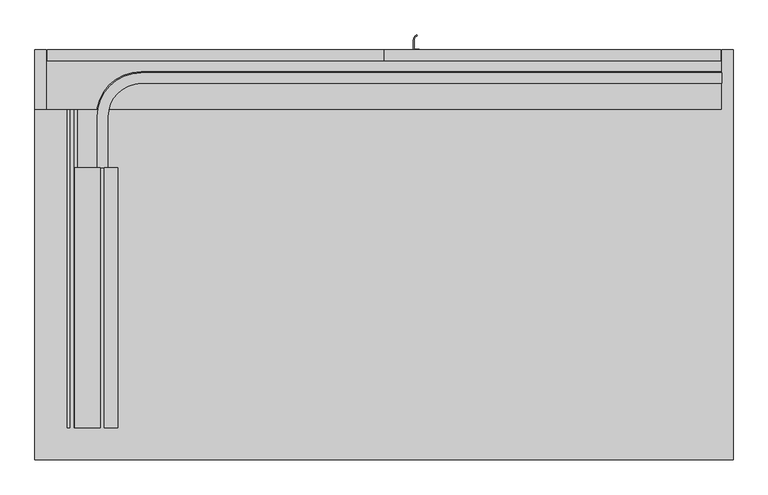
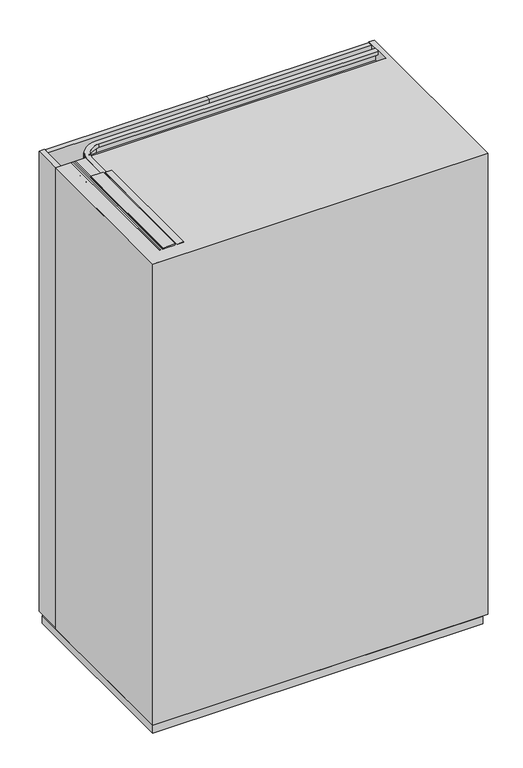
"""IFC4 building model written with IfcOpenShell, lengths in millimetres: furniture geometry."""

from ifc_helpers import new_model, si_unit, point, frame, frame_2d, origin, origin_with_axes, place, context, project, spatial, polyline, circle_curve, trimmed, segment, composite_curve, outline, extrude, faceted_brep, source, transform, mapped, element, save
from ifc_brep_helpers import plane_surface, cylinder_surface, revolved_surface, advanced_brep


def furniture_332f06b4(model_context):
    return source(origin(), model_context, "Body", "SolidModel", [
        extrude(outline(composite_curve([segment(polyline([(546.0, 108.5), (554.5, 108.5), (554.5, 107.0), (544.5, 107.0), (544.5, 125.5188318)]), True, "CONTINUOUS"), segment(trimmed(circle_curve(frame_2d((552.9852814, 125.5188318)), 8.4852814), [point((544.5, 125.5188318))], [point((550.789129, 133.7149843))], False, "CARTESIAN"), True, "CONTINUOUS"), segment(polyline([(550.789129, 133.7149843), (551.1773575, 132.2660955)]), True, "CONTINUOUS"), segment(trimmed(circle_curve(frame_2d((552.9852814, 125.5188318)), 6.9852814), [point((551.1773575, 132.2660955))], [point((546.0, 125.5188318))], True, "CARTESIAN"), True, "CONTINUOUS"), segment(polyline([(546.0, 125.5188318), (546.0, 108.5)]), True, "CONTINUOUS")], self_intersect=False)), frame((0.0, 0.0, 1110.0), z_axis=(0.0, 0.0, 1.0), x_axis=(1.0, 0.0, 0.0)), (0.0, 0.0, 1.0), 180.0),
        extrude(outline(polyline([(1807.9932635, 18.0), (1807.9932635, -6.170682), (1804.7432635, -6.170682), (1804.7432635, -3.85), (1802.2932635, -3.85), (1802.2932635, -15.85), (1804.7432635, -15.85), (1804.7432635, -13.6), (1810.9932635, -13.6), (1810.9932635, -59.4403391), (1807.0, -56.6442259), (1807.0, -60.2560852), (1801.0432635, -60.2560852), (1801.0432635, -58.0), (1798.7432635, -58.0), (1798.7432635, -70.0), (1801.0432635, -70.0), (1801.0432635, -67.75), (1803.6432635, -67.75), (1803.6432635, -72.0), (1795.3932635, -72.0), (1795.3932635, -67.5), (1792.7432635, -67.5), (1792.7432635, -69.75), (1790.7432635, -69.75), (1790.7432635, -58.25), (1792.7432635, -58.25), (1792.7432635, -60.5), (1795.3932635, -60.5), (1795.3932635, -55.0), (1807.0, -55.0), (1807.0, -20.85), (1752.9932635, -20.85), (1752.9932635, -14.4), (1759.2932635, -8.1), (1760.7932635, -8.1), (1760.7932635, -18.1), (1798.3932635, -18.1), (1798.3932635, -3.85), (1791.8932635, -3.85), (1791.8932635, 0.0), (1804.0042028, 0.0), (1804.0042028, 18.0), (1807.9932635, 18.0)])), frame((0.0, -566.0, 0.0), z_axis=(0.0, 1.0, 0.0), x_axis=(0.0, 0.0, 1.0)), (0.0, 0.0, 1.0), 463.2148209),
        advanced_brep(
        [(1094.0, 47.150158, 1791.899902), (1094.0, 51.050134, 1791.899902), (1094.0, 51.050134, 1798.4), (1094.0, 65.250134, 1798.4), (1094.0, 65.250134, 1760.8), (1094.0, 55.250134, 1760.8), (1094.0, 55.250134, 1757.8), (1094.0, 61.000134, 1757.8), (1094.0, 61.000134, 1753.0), (1094.0, 66.000134, 1753.0), (1094.0, 66.000134, 1757.8), (1094.0, 68.000134, 1757.8), (1094.0, 68.000134, 1802.2), (1094.0, 66.000134, 1802.2), (1094.0, 66.000134, 1807.0), (1094.0, 47.150158, 1807.0), (-2.4e-05, -102.7851791, 1791.899902), (-2.4e-05, -102.7851791, 1807.0), (-18.85, -102.7851791, 1807.0), (-18.85, -102.7851791, 1802.2), (-20.85, -102.7851791, 1802.2), (-20.85, -102.7851791, 1757.8), (-18.85, -102.7851791, 1757.8), (-18.85, -102.7851791, 1753.0), (-13.85, -102.7851791, 1753.0), (-13.85, -102.7851791, 1757.8), (-8.1, -102.7851791, 1757.8), (-8.1, -102.7851791, 1760.8), (-18.1, -102.7851791, 1760.8), (-18.1, -102.7851791, 1798.4), (-3.9, -102.7851791, 1798.4), (-3.9, -102.7851791, 1791.899902), (59.150134, 47.150158, 1807.0), (59.150134, 47.150158, 1791.899902), (59.150134, 66.000134, 1807.0), (-18.85, -12.0, 1807.0), (-2.4e-05, -12.0, 1807.0), (59.150134, 66.000134, 1802.2), (59.150134, 68.000134, 1802.2), (-20.85, -12.0, 1802.2), (-18.85, -12.0, 1802.2), (59.150134, 68.000134, 1757.8), (59.150134, 66.000134, 1757.8), (-18.85, -12.0, 1757.8), (-20.85, -12.0, 1757.8), (59.150134, 66.000134, 1753.0), (59.150134, 61.000134, 1753.0), (-13.85, -12.0, 1753.0), (-18.85, -12.0, 1753.0), (59.150134, 61.000134, 1757.8), (59.150134, 55.250134, 1757.8), (-8.1, -12.0, 1757.8), (-13.85, -12.0, 1757.8), (59.150134, 55.250134, 1760.8), (59.150134, 65.250134, 1760.8), (-18.1, -12.0, 1760.8), (-8.1, -12.0, 1760.8), (59.150134, 65.250134, 1798.4), (59.150134, 51.050134, 1798.4), (-3.9, -12.0, 1798.4), (-18.1, -12.0, 1798.4), (59.150134, 51.050134, 1791.899902), (-2.4e-05, -12.0, 1791.899902), (-3.9, -12.0, 1791.899902)],
        [
            (0, 1),
            (1, 2),
            (2, 3),
            (3, 4),
            (4, 5),
            (5, 6),
            (6, 7),
            (7, 8),
            (8, 9),
            (9, 10),
            (10, 11),
            (11, 12),
            (12, 13),
            (13, 14),
            (14, 15),
            (15, 0),
            (16, 17),
            (17, 18),
            (18, 19),
            (19, 20),
            (20, 21),
            (21, 22),
            (22, 23),
            (23, 24),
            (24, 25),
            (25, 26),
            (26, 27),
            (27, 28),
            (28, 29),
            (29, 30),
            (30, 31),
            (31, 16),
            (15, 32),
            (32, 33),
            (33, 0),
            (14, 34),
            (34, 35, circle_curve(frame((59.150134, -12.0, 1807.0), z_axis=(0.0, 0.0, 1.0), x_axis=(0.0, 1.0, 0.0)), 78.000134)),
            (35, 18),
            (17, 36),
            (36, 32, circle_curve(frame((59.150134, -12.0, 1807.0), z_axis=(0.0, 0.0, -1.0), x_axis=(0.0, 1.0, 0.0)), 59.150158)),
            (13, 37),
            (37, 34),
            (12, 38),
            (38, 39, circle_curve(frame((59.150134, -12.0, 1802.2), z_axis=(0.0, 0.0, 1.0), x_axis=(0.0, 1.0, 0.0)), 80.000134)),
            (39, 20),
            (19, 40),
            (40, 37, circle_curve(frame((59.150134, -12.0, 1802.2), z_axis=(0.0, 0.0, -1.0), x_axis=(0.0, 1.0, 0.0)), 78.000134)),
            (11, 41),
            (41, 38),
            (10, 42),
            (42, 43, circle_curve(frame((59.150134, -12.0, 1757.8), z_axis=(0.0, 0.0, 1.0), x_axis=(0.0, 1.0, 0.0)), 78.000134)),
            (43, 22),
            (21, 44),
            (44, 41, circle_curve(frame((59.150134, -12.0, 1757.8), z_axis=(0.0, 0.0, -1.0), x_axis=(0.0, 1.0, 0.0)), 80.000134)),
            (9, 45),
            (45, 42),
            (8, 46),
            (46, 47, circle_curve(frame((59.150134, -12.0, 1753.0), z_axis=(0.0, 0.0, 1.0), x_axis=(0.0, 1.0, 0.0)), 73.000134)),
            (47, 24),
            (23, 48),
            (48, 45, circle_curve(frame((59.150134, -12.0, 1753.0), z_axis=(0.0, 0.0, -1.0), x_axis=(0.0, 1.0, 0.0)), 78.000134)),
            (7, 49),
            (49, 46),
            (6, 50),
            (50, 51, circle_curve(frame((59.150134, -12.0, 1757.8), z_axis=(0.0, 0.0, 1.0), x_axis=(0.0, 1.0, 0.0)), 67.250134)),
            (51, 26),
            (25, 52),
            (52, 49, circle_curve(frame((59.150134, -12.0, 1757.8), z_axis=(0.0, 0.0, -1.0), x_axis=(0.0, 1.0, 0.0)), 73.000134)),
            (5, 53),
            (53, 50),
            (4, 54),
            (54, 55, circle_curve(frame((59.150134, -12.0, 1760.8), z_axis=(0.0, 0.0, 1.0), x_axis=(0.0, 1.0, 0.0)), 77.250134)),
            (55, 28),
            (27, 56),
            (56, 53, circle_curve(frame((59.150134, -12.0, 1760.8), z_axis=(0.0, 0.0, -1.0), x_axis=(0.0, 1.0, 0.0)), 67.250134)),
            (3, 57),
            (57, 54),
            (2, 58),
            (58, 59, circle_curve(frame((59.150134, -12.0, 1798.4), z_axis=(0.0, 0.0, 1.0), x_axis=(0.0, 1.0, 0.0)), 63.050134)),
            (59, 30),
            (29, 60),
            (60, 57, circle_curve(frame((59.150134, -12.0, 1798.4), z_axis=(0.0, 0.0, -1.0), x_axis=(0.0, 1.0, 0.0)), 77.250134)),
            (1, 61),
            (61, 58),
            (33, 62, circle_curve(frame((59.150134, -12.0, 1791.899902), z_axis=(0.0, 0.0, 1.0), x_axis=(0.0, 1.0, 0.0)), 59.150158)),
            (62, 16),
            (31, 63),
            (63, 61, circle_curve(frame((59.150134, -12.0, 1791.899902), z_axis=(0.0, 0.0, -1.0), x_axis=(0.0, 1.0, 0.0)), 63.050134)),
            (36, 62),
            (40, 35),
            (44, 39),
            (48, 43),
            (52, 47),
            (56, 51),
            (60, 55),
            (63, 59),
        ],
        [
            plane_surface(frame((1094.0, 88.0, 1807.0), z_axis=(1.0, 0.0, 0.0), x_axis=(0.0, 0.0, 1.0))),
            plane_surface(frame((-40.849866, -102.7851791, 1807.0), z_axis=(0.0, -1.0, 0.0), x_axis=(0.0, 0.0, 1.0))),
            plane_surface(frame((1094.0, 47.150158, 1791.899902), z_axis=(0.0, -1.0, 0.0), x_axis=(-1.0, 0.0, 0.0))),
            plane_surface(frame((1094.0, 47.150158, 1807.0), z_axis=(0.0, 0.0, 1.0), x_axis=(-1.0, 0.0, 0.0))),
            plane_surface(frame((1094.0, 66.000134, 1807.0), z_axis=(0.0, 1.0, 0.0), x_axis=(-1.0, 0.0, 0.0))),
            plane_surface(frame((1094.0, 66.000134, 1802.2), z_axis=(0.0, 0.0, 1.0), x_axis=(-1.0, 0.0, 0.0))),
            plane_surface(frame((1094.0, 68.000134, 1802.2), z_axis=(0.0, 1.0, 0.0), x_axis=(-1.0, 0.0, 0.0))),
            plane_surface(frame((1094.0, 68.000134, 1757.8), z_axis=(0.0, 0.0, -1.0), x_axis=(-1.0, 0.0, 0.0))),
            plane_surface(frame((1094.0, 66.000134, 1757.8), z_axis=(0.0, 1.0, 0.0), x_axis=(-1.0, 0.0, 0.0))),
            plane_surface(frame((1094.0, 66.000134, 1753.0), z_axis=(0.0, 0.0, -1.0), x_axis=(-1.0, 0.0, 0.0))),
            plane_surface(frame((1094.0, 61.000134, 1753.0), z_axis=(0.0, -1.0, 0.0), x_axis=(-1.0, 0.0, 0.0))),
            plane_surface(frame((1094.0, 61.000134, 1757.8), z_axis=(0.0, 0.0, -1.0), x_axis=(-1.0, 0.0, 0.0))),
            plane_surface(frame((1094.0, 55.250134, 1757.8), z_axis=(0.0, -1.0, 0.0), x_axis=(-1.0, 0.0, 0.0))),
            plane_surface(frame((1094.0, 55.250134, 1760.8), z_axis=(0.0, 0.0, 1.0), x_axis=(-1.0, 0.0, 0.0))),
            plane_surface(frame((1094.0, 65.250134, 1760.8), z_axis=(0.0, -1.0, 0.0), x_axis=(-1.0, 0.0, 0.0))),
            plane_surface(frame((1094.0, 65.250134, 1798.4), z_axis=(0.0, 0.0, -1.0), x_axis=(-1.0, 0.0, 0.0))),
            plane_surface(frame((1094.0, 51.050134, 1798.4), z_axis=(0.0, 1.0, 0.0), x_axis=(-1.0, 0.0, 0.0))),
            plane_surface(frame((1094.0, 51.050134, 1791.899902), z_axis=(0.0, 0.0, -1.0), x_axis=(-1.0, 0.0, 0.0))),
            revolved_surface(polyline([(59.150134, 47.150158, 1791.899902), (59.150134, 47.150158, 1807.0)]), (59.150134, -12.0, 1807.0), (0.0, 0.0, -1.0)),
            cylinder_surface(frame((59.150134, -12.0, 1807.0), z_axis=(0.0, 0.0, -1.0), x_axis=(0.0, 1.0, 0.0)), 78.000134),
            cylinder_surface(frame((59.150134, -12.0, 1807.0), z_axis=(0.0, 0.0, -1.0), x_axis=(0.0, 1.0, 0.0)), 80.000134),
            revolved_surface(polyline([(59.150134, 61.000134, 1753.0), (59.150134, 61.000134, 1757.8)]), (59.150134, -12.0, 1807.0), (0.0, 0.0, -1.0)),
            revolved_surface(polyline([(59.150134, 55.250134, 1757.8), (59.150134, 55.250134, 1760.8)]), (59.150134, -12.0, 1807.0), (0.0, 0.0, -1.0)),
            revolved_surface(polyline([(59.150134, 65.250134, 1760.8), (59.150134, 65.250134, 1798.4)]), (59.150134, -12.0, 1807.0), (0.0, 0.0, -1.0)),
            cylinder_surface(frame((59.150134, -12.0, 1807.0), z_axis=(0.0, 0.0, -1.0), x_axis=(0.0, 1.0, 0.0)), 63.050134),
            plane_surface(frame((-2.4e-05, -12.0, 1791.899902), z_axis=(1.0, 0.0, 0.0), x_axis=(0.0, -1.0, 0.0))),
            plane_surface(frame((-18.85, -12.0, 1807.0), z_axis=(-1.0, 0.0, 0.0), x_axis=(0.0, -1.0, 0.0))),
            plane_surface(frame((-20.85, -12.0, 1802.2), z_axis=(-1.0, 0.0, 0.0), x_axis=(0.0, -1.0, 0.0))),
            plane_surface(frame((-18.85, -12.0, 1757.8), z_axis=(-1.0, 0.0, 0.0), x_axis=(0.0, -1.0, 0.0))),
            plane_surface(frame((-13.85, -12.0, 1753.0), z_axis=(1.0, 0.0, 0.0), x_axis=(0.0, -1.0, 0.0))),
            plane_surface(frame((-8.1, -12.0, 1757.8), z_axis=(1.0, 0.0, 0.0), x_axis=(0.0, -1.0, 0.0))),
            plane_surface(frame((-18.1, -12.0, 1760.8), z_axis=(1.0, 0.0, 0.0), x_axis=(0.0, -1.0, 0.0))),
            plane_surface(frame((-3.9, -12.0, 1798.4), z_axis=(-1.0, 0.0, 0.0), x_axis=(0.0, -1.0, 0.0))),
        ],
        [
            (0, [[1, 2, 3, 4, 5, 6, 7, 8, 9, 10, 11, 12, 13, 14, 15, 16]]),
            (1, [[17, 18, 19, 20, 21, 22, 23, 24, 25, 26, 27, 28, 29, 30, 31, 32]]),
            (2, [[33, 34, 35, -16]]),
            (3, [[36, 37, 38, -18, 39, 40, -33, -15]]),
            (4, [[41, 42, -36, -14]]),
            (5, [[43, 44, 45, -20, 46, 47, -41, -13]]),
            (6, [[48, 49, -43, -12]]),
            (7, [[50, 51, 52, -22, 53, 54, -48, -11]]),
            (8, [[55, 56, -50, -10]]),
            (9, [[57, 58, 59, -24, 60, 61, -55, -9]]),
            (10, [[62, 63, -57, -8]]),
            (11, [[64, 65, 66, -26, 67, 68, -62, -7]]),
            (12, [[69, 70, -64, -6]]),
            (13, [[71, 72, 73, -28, 74, 75, -69, -5]]),
            (14, [[76, 77, -71, -4]]),
            (15, [[78, 79, 80, -30, 81, 82, -76, -3]]),
            (16, [[83, 84, -78, -2]]),
            (17, [[-35, 85, 86, -32, 87, 88, -83, -1]]),
            (18, [[89, -85, -34, -40]]),
            (19, [[90, -37, -42, -47]]),
            (20, [[91, -44, -49, -54]]),
            (19, [[92, -51, -56, -61]]),
            (21, [[93, -58, -63, -68]]),
            (22, [[94, -65, -70, -75]]),
            (23, [[95, -72, -77, -82]]),
            (24, [[96, -79, -84, -88]]),
            (25, [[-39, -17, -86, -89]]),
            (26, [[-46, -19, -38, -90]]),
            (27, [[-53, -21, -45, -91]]),
            (28, [[-60, -23, -52, -92]]),
            (29, [[-67, -25, -59, -93]]),
            (30, [[-74, -27, -66, -94]]),
            (31, [[-81, -29, -73, -95]]),
            (32, [[-87, -31, -80, -96]]),
        ],
    ),
        extrude(outline(polyline([(1092.0, 88.0), (492.0, 88.0), (492.0, 107.0), (1092.0, 107.0), (1092.0, 88.0)])), frame((0.0, 0.0, 5.0), z_axis=(0.0, 0.0, 1.0), x_axis=(1.0, 0.0, 0.0)), (0.0, 0.0, 1.0), 1800.0),
        extrude(outline(polyline([(-108.0, 107.0), (492.0, 107.0), (492.0, 88.0), (-108.0, 88.0), (-108.0, 107.0)])), frame((0.0, 0.0, 5.0), z_axis=(0.0, 0.0, 1.0), x_axis=(1.0, 0.0, 0.0)), (0.0, 0.0, 1.0), 1800.0),
        advanced_brep(
        [(-75.6336873, -23.1375322, 1765.724276), (-71.625465, -23.1375322, 1765.724276), (-67.2507667, -23.1375322, 1761.3495777), (-63.4737348, -23.1375322, 1761.3495777), (-63.4737348, -23.1375322, 1733.0547299), (-75.6336873, -23.1375322, 1733.0547299), (-75.6336873, -82.3672808, 1765.724276), (-75.6336873, -82.3672808, 1733.0547299), (-63.4737348, -82.3672808, 1733.0547299), (-63.4737348, -82.3672808, 1761.3495777), (-67.2507667, -82.3672808, 1761.3495777), (-71.625465, -82.3672808, 1765.724276), (-63.4737348, -33.0799821, 1758.673583), (-63.4737348, -26.647587, 1758.673583), (-63.4737348, -26.647587, 1754.158508), (-63.4737348, -33.0799821, 1754.158508), (-63.4737348, -39.5123773, 1754.158508), (-63.4737348, -39.5123773, 1758.673583), (-63.4737348, -72.4549821, 1758.673583), (-63.4737348, -66.022587, 1758.673583), (-63.4737348, -66.022587, 1754.158508), (-63.4737348, -72.4549821, 1754.158508), (-63.4737348, -78.8873773, 1754.158508), (-63.4737348, -78.8873773, 1758.673583), (-57.5, -33.0799821, 1758.673583), (-57.5, -33.0799821, 1754.158508), (-57.5, -72.4549821, 1758.673583), (-57.5, -72.4549821, 1754.158508)],
        [
            (0, 1),
            (1, 2),
            (2, 3),
            (3, 4),
            (4, 5),
            (5, 0),
            (6, 7),
            (7, 8),
            (8, 9),
            (9, 10),
            (10, 11),
            (11, 6),
            (5, 7),
            (6, 0),
            (4, 8),
            (3, 9),
            (12, 13),
            (13, 14),
            (14, 15),
            (15, 16),
            (16, 17),
            (17, 12),
            (18, 19),
            (19, 20),
            (20, 21),
            (21, 22),
            (22, 23),
            (23, 18),
            (2, 10),
            (1, 11),
            (17, 24, circle_curve(frame((-63.950003, -33.0799821, 1758.673583), z_axis=(0.0, 0.0, 1.0), x_axis=(1.0, 0.0, 0.0)), 6.450003)),
            (24, 12),
            (24, 13, circle_curve(frame((-63.950003, -33.0799821, 1758.673583), z_axis=(0.0, 0.0, 1.0), x_axis=(1.0, 0.0, 0.0)), 6.450003)),
            (25, 16, circle_curve(frame((-63.950003, -33.0799821, 1754.158508), z_axis=(0.0, 0.0, -1.0), x_axis=(1.0, 0.0, 0.0)), 6.450003)),
            (15, 25),
            (14, 25, circle_curve(frame((-63.950003, -33.0799821, 1754.158508), z_axis=(0.0, 0.0, -1.0), x_axis=(1.0, 0.0, 0.0)), 6.450003)),
            (25, 24),
            (23, 26, circle_curve(frame((-63.950003, -72.4549821, 1758.673583), z_axis=(0.0, 0.0, 1.0), x_axis=(1.0, 0.0, 0.0)), 6.450003)),
            (26, 18),
            (26, 19, circle_curve(frame((-63.950003, -72.4549821, 1758.673583), z_axis=(0.0, 0.0, 1.0), x_axis=(1.0, 0.0, 0.0)), 6.450003)),
            (27, 22, circle_curve(frame((-63.950003, -72.4549821, 1754.158508), z_axis=(0.0, 0.0, -1.0), x_axis=(1.0, 0.0, 0.0)), 6.450003)),
            (21, 27),
            (20, 27, circle_curve(frame((-63.950003, -72.4549821, 1754.158508), z_axis=(0.0, 0.0, -1.0), x_axis=(1.0, 0.0, 0.0)), 6.450003)),
            (27, 26),
        ],
        [
            plane_surface(frame((-75.6336873, -23.1375322, 1765.724276), z_axis=(0.0, 1.0, 0.0), x_axis=(0.0, 0.0, -1.0))),
            plane_surface(frame((-75.6336873, -82.3672808, 1765.724276), z_axis=(0.0, -1.0, 0.0), x_axis=(0.0, 0.0, 1.0))),
            plane_surface(frame((-75.6336873, -23.1375322, 1765.724276), z_axis=(-1.0, 0.0, 0.0), x_axis=(0.0, -1.0, 0.0))),
            plane_surface(frame((-75.6336873, -23.1375322, 1733.0547299), z_axis=(0.0, 0.0, -1.0), x_axis=(0.0, -1.0, 0.0))),
            plane_surface(frame((-63.4737348, -23.1375322, 1733.0547299), z_axis=(1.0, 0.0, 0.0), x_axis=(0.0, -1.0, 0.0))),
            plane_surface(frame((-63.4737348, -23.1375322, 1761.3495777), z_axis=(0.0, 0.0, 1.0), x_axis=(0.0, -1.0, 0.0))),
            plane_surface(frame((-67.2507667, -23.1375322, 1761.3495777), z_axis=(0.7071067811865492, 0.0, 0.7071067811865459), x_axis=(0.0, -1.0, 0.0))),
            plane_surface(frame((-71.625465, -23.1375322, 1765.724276), z_axis=(0.0, 0.0, 1.0), x_axis=(0.0, -1.0, 0.0))),
            plane_surface(frame((-63.950003, -33.0799821, 1758.673583), z_axis=(0.0, 0.0, 1.0), x_axis=(1.0, 0.0, 0.0))),
            plane_surface(frame((-63.950003, -33.0799821, 1754.158508), z_axis=(0.0, 0.0, -1.0), x_axis=(1.0, 0.0, 0.0))),
            cylinder_surface(frame((-63.950003, -33.0799821, 1759.795738), z_axis=(0.0, 0.0, 1.0), x_axis=(1.0, 0.0, 0.0)), 6.450003),
            plane_surface(frame((-63.950003, -72.4549821, 1758.673583), z_axis=(0.0, 0.0, 1.0), x_axis=(1.0, 0.0, 0.0))),
            plane_surface(frame((-63.950003, -72.4549821, 1754.158508), z_axis=(0.0, 0.0, -1.0), x_axis=(1.0, 0.0, 0.0))),
            cylinder_surface(frame((-63.950003, -72.4549821, 1759.795738), z_axis=(0.0, 0.0, 1.0), x_axis=(1.0, 0.0, 0.0)), 6.450003),
        ],
        [
            (0, [[1, 2, 3, 4, 5, 6]]),
            (1, [[7, 8, 9, 10, 11, 12]]),
            (2, [[13, -7, 14, -6]]),
            (3, [[15, -8, -13, -5]]),
            (4, [[16, -9, -15, -4], [17, 18, 19, 20, 21, 22], [23, 24, 25, 26, 27, 28]]),
            (5, [[29, -10, -16, -3]]),
            (6, [[30, -11, -29, -2]]),
            (7, [[-14, -12, -30, -1]]),
            (8, [[-22, 31, 32]]),
            (8, [[33, -17, -32]]),
            (9, [[34, -20, 35]]),
            (9, [[-19, 36, -35]]),
            (10, [[-31, -21, -34, 37]]),
            (10, [[-36, -18, -33, -37]]),
            (11, [[-28, 38, 39]]),
            (11, [[40, -23, -39]]),
            (12, [[41, -26, 42]]),
            (12, [[-25, 43, -42]]),
            (13, [[-38, -27, -41, 44]]),
            (13, [[-43, -24, -40, -44]]),
        ],
    ),
        advanced_brep(
        [(-67.900202, -72.4549821, 1784.308626), (-67.900202, -72.4549821, 1799.308626), (-67.900202, -72.4549821, 1769.308626), (-66.9872489, -72.4549821, 1799.308626), (-66.9872489, -72.4549821, 1769.308626), (-59.900202, -72.4549821, 1799.308626), (-59.900202, -72.4549821, 1789.3459789), (-59.900202, -72.4549821, 1779.2712731), (-59.900202, -72.4549821, 1769.308626), (-58.400202, -72.4549821, 1788.2956676), (-58.400202, -72.4549821, 1780.3215844), (-58.400202, -72.4549821, 1784.308626), (-60.9142761, -72.4549821, 1799.308626), (-60.9142761, -72.4549821, 1769.308626), (-62.91385, -72.4549821, 1797.3090521), (-62.91385, -72.4549821, 1771.3081999), (-64.9876751, -72.4549821, 1797.3090521), (-64.9876751, -72.4549821, 1771.3081999)],
        [
            (0, 1),
            (1, 2, circle_curve(frame((-67.900202, -72.4549821, 1784.308626), z_axis=(-1.0, 0.0, 0.0), x_axis=(0.0, 0.0, -1.0)), 15.0)),
            (2, 0),
            (2, 1, circle_curve(frame((-67.900202, -72.4549821, 1784.308626), z_axis=(-1.0, 0.0, 0.0), x_axis=(0.0, 0.0, -1.0)), 15.0)),
            (1, 3),
            (3, 4, circle_curve(frame((-66.9872489, -72.4549821, 1784.308626), z_axis=(-1.0, 0.0, 0.0), x_axis=(0.0, 0.0, -1.0)), 15.0)),
            (4, 2),
            (4, 3, circle_curve(frame((-66.9872489, -72.4549821, 1784.308626), z_axis=(-1.0, 0.0, 0.0), x_axis=(0.0, 0.0, -1.0)), 15.0)),
            (5, 6),
            (6, 7, circle_curve(frame((-59.900202, -72.4549821, 1784.308626), z_axis=(-1.0, 0.0, 0.0), x_axis=(0.0, 0.0, -1.0)), 5.0373529)),
            (7, 8),
            (8, 5, circle_curve(frame((-59.900202, -72.4549821, 1784.308626), z_axis=(1.0, 0.0, 0.0), x_axis=(0.0, 0.0, -1.0)), 15.0)),
            (7, 6, circle_curve(frame((-59.900202, -72.4549821, 1784.308626), z_axis=(-1.0, 0.0, 0.0), x_axis=(0.0, 0.0, -1.0)), 5.0373529)),
            (5, 8, circle_curve(frame((-59.900202, -72.4549821, 1784.308626), z_axis=(1.0, 0.0, 0.0), x_axis=(0.0, 0.0, -1.0)), 15.0)),
            (6, 9),
            (9, 10, circle_curve(frame((-58.400202, -72.4549821, 1784.308626), z_axis=(-1.0, 0.0, 0.0), x_axis=(0.0, 0.0, -1.0)), 3.9870416)),
            (10, 7),
            (10, 9, circle_curve(frame((-58.400202, -72.4549821, 1784.308626), z_axis=(-1.0, 0.0, 0.0), x_axis=(0.0, 0.0, -1.0)), 3.9870416)),
            (9, 11),
            (11, 10),
            (12, 5),
            (8, 13),
            (13, 12, circle_curve(frame((-60.9142761, -72.4549821, 1784.308626), z_axis=(1.0, 0.0, 0.0), x_axis=(0.0, 0.0, -1.0)), 15.0)),
            (12, 13, circle_curve(frame((-60.9142761, -72.4549821, 1784.308626), z_axis=(1.0, 0.0, 0.0), x_axis=(0.0, 0.0, -1.0)), 15.0)),
            (14, 12),
            (13, 15),
            (15, 14, circle_curve(frame((-62.91385, -72.4549821, 1784.308626), z_axis=(1.0, 0.0, 0.0), x_axis=(0.0, 0.0, -1.0)), 13.0004261)),
            (14, 15, circle_curve(frame((-62.91385, -72.4549821, 1784.308626), z_axis=(1.0, 0.0, 0.0), x_axis=(0.0, 0.0, -1.0)), 13.0004261)),
            (16, 14),
            (15, 17),
            (17, 16, circle_curve(frame((-64.9876751, -72.4549821, 1784.308626), z_axis=(1.0, 0.0, 0.0), x_axis=(0.0, 0.0, -1.0)), 13.0004261)),
            (16, 17, circle_curve(frame((-64.9876751, -72.4549821, 1784.308626), z_axis=(1.0, 0.0, 0.0), x_axis=(0.0, 0.0, -1.0)), 13.0004261)),
            (3, 16),
            (17, 4),
        ],
        [
            plane_surface(frame((-67.900202, -72.4549821, 1784.308626), z_axis=(-1.0, 0.0, 0.0), x_axis=(0.0, 0.0, -1.0))),
            cylinder_surface(frame((-58.400202, -72.4549821, 1784.308626), z_axis=(-1.0, 0.0, 0.0), x_axis=(0.0, 0.0, -1.0)), 15.0),
            plane_surface(frame((-59.900202, -72.4549821, 1784.308626), z_axis=(1.0, 0.0, 0.0), x_axis=(0.0, 0.0, -1.0))),
            revolved_surface(polyline([(-58.400202, -72.4549821, 1780.3215844), (-59.900202, -72.4549821, 1779.2712731)]), (-58.400202, -72.4549821, 1784.308626), (-1.0, 0.0, 0.0)),
            plane_surface(frame((-58.400202, -72.4549821, 1784.308626), z_axis=(1.0, 0.0, 0.0), x_axis=(0.0, 0.0, -1.0))),
            revolved_surface(polyline([(-60.9142761, -72.4549821, 1769.308626), (-62.91385, -72.4549821, 1771.3081999)]), (-58.400202, -72.4549821, 1784.308626), (-1.0, 0.0, 0.0)),
            cylinder_surface(frame((-58.400202, -72.4549821, 1784.308626), z_axis=(-1.0, 0.0, 0.0), x_axis=(0.0, 0.0, -1.0)), 13.0004261),
            revolved_surface(polyline([(-64.9876751, -72.4549821, 1771.3081999), (-66.9872489, -72.4549821, 1769.308626)]), (-58.400202, -72.4549821, 1784.308626), (-1.0, 0.0, 0.0)),
        ],
        [
            (0, [[1, 2, 3]]),
            (0, [[-3, 4, -1]]),
            (1, [[5, 6, 7, -2]]),
            (1, [[-7, 8, -5, -4]]),
            (2, [[9, 10, 11, 12]]),
            (2, [[-11, 13, -9, 14]]),
            (3, [[15, 16, 17, -10]]),
            (3, [[-17, 18, -15, -13]]),
            (4, [[19, 20, -16]]),
            (4, [[-20, -19, -18]]),
            (1, [[21, -12, 22, 23]]),
            (1, [[-22, -14, -21, 24]]),
            (5, [[25, -23, 26, 27]]),
            (5, [[-26, -24, -25, 28]]),
            (6, [[29, -27, 30, 31]]),
            (6, [[-30, -28, -29, 32]]),
            (7, [[33, -31, 34, -6]]),
            (7, [[-34, -32, -33, -8]]),
        ],
    ),
        extrude(outline(polyline([(-67.4751845, -70.1923392), (-68.8680425, -70.1923392), (-70.714577, -68.3458047), (-70.714577, -48.3458047), (-68.7451872, -46.3764149), (-67.4751845, -46.3764149), (-67.4751845, -42.7986729), (-64.9743712, -42.7986729), (-64.9743712, -49.6597808), (-66.8013734, -51.486783), (-66.8013734, -65.0731271), (-64.9743712, -66.9001293), (-64.9743712, -73.7061401), (-67.4751845, -73.7061401), (-67.4751845, -70.1923392)])), frame((0.0, 0.0, 1714.5347501), z_axis=(0.0, 0.0, 1.0), x_axis=(1.0, 0.0, 0.0)), (0.0, 0.0, 1.0), 18.5199799),
        extrude(outline(polyline([(-67.7993712, -44.5272199), (-67.7993712, -60.9375972), (-73.2501515, -60.9375972), (-73.2501515, -44.5272199), (-67.7993712, -44.5272199)])), frame((0.0, 0.0, 1761.3495777), z_axis=(0.0, 0.0, 1.0), x_axis=(1.0, 0.0, 0.0)), (0.0, 0.0, 1.0), 16.9521965),
        advanced_brep(
        [(-67.900202, -33.0799821, 1784.125), (-67.900202, -33.0799821, 1799.125), (-67.900202, -33.0799821, 1769.125), (-66.9872489, -33.0799821, 1799.125), (-66.9872489, -33.0799821, 1769.125), (-59.900202, -33.0799821, 1799.125), (-59.900202, -33.0799821, 1789.1623529), (-59.900202, -33.0799821, 1779.0876471), (-59.900202, -33.0799821, 1769.125), (-58.400202, -33.0799821, 1788.1120416), (-58.400202, -33.0799821, 1780.1379584), (-58.400202, -33.0799821, 1784.125), (-60.9142761, -33.0799821, 1799.125), (-60.9142761, -33.0799821, 1769.125), (-62.91385, -33.0799821, 1797.1254261), (-62.91385, -33.0799821, 1771.1245739), (-64.9876751, -33.0799821, 1797.1254261), (-64.9876751, -33.0799821, 1771.1245739)],
        [
            (0, 1),
            (1, 2, circle_curve(frame((-67.900202, -33.0799821, 1784.125), z_axis=(-1.0, 0.0, 0.0), x_axis=(0.0, 0.0, -1.0)), 15.0)),
            (2, 0),
            (2, 1, circle_curve(frame((-67.900202, -33.0799821, 1784.125), z_axis=(-1.0, 0.0, 0.0), x_axis=(0.0, 0.0, -1.0)), 15.0)),
            (1, 3),
            (3, 4, circle_curve(frame((-66.9872489, -33.0799821, 1784.125), z_axis=(-1.0, 0.0, 0.0), x_axis=(0.0, 0.0, -1.0)), 15.0)),
            (4, 2),
            (4, 3, circle_curve(frame((-66.9872489, -33.0799821, 1784.125), z_axis=(-1.0, 0.0, 0.0), x_axis=(0.0, 0.0, -1.0)), 15.0)),
            (5, 6),
            (6, 7, circle_curve(frame((-59.900202, -33.0799821, 1784.125), z_axis=(-1.0, 0.0, 0.0), x_axis=(0.0, 0.0, -1.0)), 5.0373529)),
            (7, 8),
            (8, 5, circle_curve(frame((-59.900202, -33.0799821, 1784.125), z_axis=(1.0, 0.0, 0.0), x_axis=(0.0, 0.0, -1.0)), 15.0)),
            (7, 6, circle_curve(frame((-59.900202, -33.0799821, 1784.125), z_axis=(-1.0, 0.0, 0.0), x_axis=(0.0, 0.0, -1.0)), 5.0373529)),
            (5, 8, circle_curve(frame((-59.900202, -33.0799821, 1784.125), z_axis=(1.0, 0.0, 0.0), x_axis=(0.0, 0.0, -1.0)), 15.0)),
            (6, 9),
            (9, 10, circle_curve(frame((-58.400202, -33.0799821, 1784.125), z_axis=(-1.0, 0.0, 0.0), x_axis=(0.0, 0.0, -1.0)), 3.9870416)),
            (10, 7),
            (10, 9, circle_curve(frame((-58.400202, -33.0799821, 1784.125), z_axis=(-1.0, 0.0, 0.0), x_axis=(0.0, 0.0, -1.0)), 3.9870416)),
            (9, 11),
            (11, 10),
            (12, 5),
            (8, 13),
            (13, 12, circle_curve(frame((-60.9142761, -33.0799821, 1784.125), z_axis=(1.0, 0.0, 0.0), x_axis=(0.0, 0.0, -1.0)), 15.0)),
            (12, 13, circle_curve(frame((-60.9142761, -33.0799821, 1784.125), z_axis=(1.0, 0.0, 0.0), x_axis=(0.0, 0.0, -1.0)), 15.0)),
            (14, 12),
            (13, 15),
            (15, 14, circle_curve(frame((-62.91385, -33.0799821, 1784.125), z_axis=(1.0, 0.0, 0.0), x_axis=(0.0, 0.0, -1.0)), 13.0004261)),
            (14, 15, circle_curve(frame((-62.91385, -33.0799821, 1784.125), z_axis=(1.0, 0.0, 0.0), x_axis=(0.0, 0.0, -1.0)), 13.0004261)),
            (16, 14),
            (15, 17),
            (17, 16, circle_curve(frame((-64.9876751, -33.0799821, 1784.125), z_axis=(1.0, 0.0, 0.0), x_axis=(0.0, 0.0, -1.0)), 13.0004261)),
            (16, 17, circle_curve(frame((-64.9876751, -33.0799821, 1784.125), z_axis=(1.0, 0.0, 0.0), x_axis=(0.0, 0.0, -1.0)), 13.0004261)),
            (3, 16),
            (17, 4),
        ],
        [
            plane_surface(frame((-67.900202, -33.0799821, 1784.125), z_axis=(-1.0, 0.0, 0.0), x_axis=(0.0, 0.0, -1.0))),
            cylinder_surface(frame((-58.400202, -33.0799821, 1784.125), z_axis=(-1.0, 0.0, 0.0), x_axis=(0.0, 0.0, -1.0)), 15.0),
            plane_surface(frame((-59.900202, -33.0799821, 1784.125), z_axis=(1.0, 0.0, 0.0), x_axis=(0.0, 0.0, -1.0))),
            revolved_surface(polyline([(-58.400202, -33.0799821, 1780.1379584), (-59.900202, -33.0799821, 1779.0876471)]), (-58.400202, -33.0799821, 1784.125), (-1.0, 0.0, 0.0)),
            plane_surface(frame((-58.400202, -33.0799821, 1784.125), z_axis=(1.0, 0.0, 0.0), x_axis=(0.0, 0.0, -1.0))),
            revolved_surface(polyline([(-60.9142761, -33.0799821, 1769.125), (-62.91385, -33.0799821, 1771.1245739)]), (-58.400202, -33.0799821, 1784.125), (-1.0, 0.0, 0.0)),
            cylinder_surface(frame((-58.400202, -33.0799821, 1784.125), z_axis=(-1.0, 0.0, 0.0), x_axis=(0.0, 0.0, -1.0)), 13.0004261),
            revolved_surface(polyline([(-64.9876751, -33.0799821, 1771.1245739), (-66.9872489, -33.0799821, 1769.125)]), (-58.400202, -33.0799821, 1784.125), (-1.0, 0.0, 0.0)),
        ],
        [
            (0, [[1, 2, 3]]),
            (0, [[-3, 4, -1]]),
            (1, [[5, 6, 7, -2]]),
            (1, [[-7, 8, -5, -4]]),
            (2, [[9, 10, 11, 12]]),
            (2, [[-11, 13, -9, 14]]),
            (3, [[15, 16, 17, -10]]),
            (3, [[-17, 18, -15, -13]]),
            (4, [[19, 20, -16]]),
            (4, [[-20, -19, -18]]),
            (1, [[21, -12, 22, 23]]),
            (1, [[-22, -14, -21, 24]]),
            (5, [[25, -23, 26, 27]]),
            (5, [[-26, -24, -25, 28]]),
            (6, [[29, -27, 30, 31]]),
            (6, [[-30, -28, -29, 32]]),
            (7, [[33, -31, 34, -6]]),
            (7, [[-34, -32, -33, -8]]),
        ],
    ),
        extrude(outline(polyline([(-67.7993712, -18.5522242), (-67.7993712, -86.9089943), (-75.365636, -86.9089943), (-75.365636, -18.5522242), (-67.7993712, -18.5522242)])), frame((0.0, 0.0, 1778.3017742), z_axis=(0.0, 0.0, 1.0), x_axis=(1.0, 0.0, 0.0)), (0.0, 0.0, 1.0), 11.7055952),
        extrude(outline(polyline([(19.0, -72.0), (0.0, -72.0), (0.0, -67.75), (2.25, -67.75), (2.25, -70.0), (4.9, -70.0), (4.9, -58.0), (2.25, -58.0), (2.25, -60.25), (0.0, -60.25), (0.0, -55.0), (58.5663764, -55.0), (59.0913089, -61.0), (56.1547673, -61.0), (56.1547673, -57.5), (40.5, -57.5), (40.5, -61.0), (37.5, -61.0), (37.5, -58.0104888), (7.5, -58.0104888), (7.5, -70.0), (19.0, -70.0), (19.0, -72.0)])), frame((0.0, -566.0, 0.0), z_axis=(0.0, 1.0, 0.0), x_axis=(0.0, 0.0, 1.0)), (0.0, 0.0, 1.0), 566.0),
        extrude(outline(composite_curve([segment(polyline([(1795.0, -70.0), (1799.5, -70.0), (1799.5, -58.0104888), (1768.5, -58.0104888), (1768.5, -61.2084017)]), True, "CONTINUOUS"), segment(trimmed(circle_curve(frame_2d((1767.9551158, -63.95)), 2.7952209), [point((1768.5, -61.2084017))], [point((1769.1, -66.5))], False, "CARTESIAN"), True, "CONTINUOUS"), segment(polyline([(1769.1, -66.5), (1766.0, -66.5), (1766.0, -57.5), (1750.8452327, -57.5), (1750.8452327, -61.0), (1747.9086911, -61.0), (1748.4336236, -55.0), (1807.0, -55.0), (1807.0, -60.25), (1804.75, -60.25), (1804.75, -58.0), (1802.1, -58.0), (1802.1, -70.0), (1804.75, -70.0), (1804.75, -67.75), (1807.0, -67.75), (1807.0, -72.0), (1795.0, -72.0), (1795.0, -70.0)]), True, "CONTINUOUS")], self_intersect=False)), frame((0.0, -566.0, 0.0), z_axis=(0.0, 1.0, 0.0), x_axis=(0.0, 0.0, 1.0)), (0.0, 0.0, 1.0), 566.0),
        faceted_brep([(-70.8313044, -49.5061401, 35.9), (-70.8313044, -49.5061401, 23.9), (-70.8313044, -73.7061401, 23.9), (-70.8313044, -73.7061401, 35.9), (-68.8052444, -73.7061401, 35.9), (-68.8052444, -73.7061401, 23.9), (-68.8052444, -49.5061401, 23.9), (-68.8052444, -49.5061401, 35.9), (-69.2052444, -73.7061401, 21.301924), (-69.2052444, -73.7061401, 23.9), (-69.2052444, -49.5061401, 23.9), (-69.2052444, -49.5061401, 21.301924), (-65.2052444, -86.5061401, 23.9), (-62.7858983, -86.5061401, 23.9), (-58.8052444, -82.5254862, 23.9), (-58.8052444, -40.5061401, 23.9), (-62.8052444, -36.5061401, 23.9), (-65.2052444, -36.5061401, 23.9), (-69.2052444, -40.5061401, 23.9), (-69.2052444, -82.5061401, 23.9), (-58.8052444, -75.0061401, 11.0920874), (-69.2052444, -75.0061401, 11.0920874), (-69.2052444, -47.8601898, 11.0920874), (-58.8052444, -47.8601898, 11.0920874), (-69.2052444, -82.5061401, 16.45), (-65.2052444, -86.5061401, 16.45), (-69.2052444, -75.0061401, 16.45), (-69.2052444, -40.5061401, 16.45), (-69.2052444, -47.8601898, 16.45), (-69.2052444, -69.0061401, 17.2), (-69.2052444, -69.0061401, 13.4378021), (-69.2052444, -54.0061401, 13.4378021), (-69.2052444, -54.0061401, 17.2), (-65.2052444, -36.5061401, 16.45), (-62.8052444, -36.5061401, 16.45), (-58.8052444, -40.5061401, 16.45), (-58.8052444, -82.5254862, 16.45), (-58.8052444, -75.0061401, 16.45), (-58.8052444, -47.8601898, 16.45), (-58.8052444, -54.0061401, 17.2), (-58.8052444, -54.0061401, 13.4378021), (-58.8052444, -69.0061401, 13.4378021), (-58.8052444, -69.0061401, 17.2), (-62.7858983, -86.5061401, 16.45)], [[[0, 1, 2, 3]], [[4, 5, 6, 7]], [[3, 4, 7, 0]], [[3, 2, 8, 9, 5, 4]], [[7, 6, 10, 11, 1, 0]], [[1, 11, 8, 2]], [[12, 13, 14, 15, 16, 17, 18, 10, 6, 5, 9, 19]], [[20, 21, 22, 23]], [[19, 24, 25, 12]], [[21, 26, 24, 19, 9, 8, 11, 10, 18, 27, 28, 22], [29, 30, 31, 32]], [[17, 33, 27, 18]], [[16, 34, 33, 17]], [[15, 35, 34, 16]], [[14, 36, 37, 20, 23, 38, 35, 15], [39, 40, 41, 42]], [[13, 43, 36, 14]], [[12, 25, 43, 13]], [[37, 36, 43, 25, 24, 26]], [[26, 21, 20, 37]], [[29, 32, 39, 42]], [[42, 41, 30, 29]], [[32, 31, 40, 39]], [[28, 27, 33, 34, 35, 38]], [[38, 23, 22, 28]], [[41, 40, 31, 30]]]),
        extrude(outline(composite_curve([segment(trimmed(circle_curve(frame_2d((-64.0052444, -42.1831649)), 5.75), [point((-64.0052444, -47.9331649))], [point((-64.0052444, -36.4331649))], False, "CARTESIAN"), True, "CONTINUOUS"), segment(trimmed(circle_curve(frame_2d((-64.0052444, -42.1831649)), 5.75), [point((-64.0052444, -36.4331649))], [point((-64.0052444, -47.9331649))], False, "CARTESIAN"), True, "CONTINUOUS")], self_intersect=False)), frame((0.0, 0.0, 8.65), z_axis=(0.0, 0.0, 1.0), x_axis=(1.0, 0.0, 0.0)), (0.0, 0.0, 1.0), 7.3),
        extrude(outline(composite_curve([segment(trimmed(circle_curve(frame_2d((-64.0052444, -61.5061401)), 5.75), [point((-64.0052444, -67.2561401))], [point((-64.0052444, -55.7561401))], False, "CARTESIAN"), True, "CONTINUOUS"), segment(trimmed(circle_curve(frame_2d((-64.0052444, -61.5061401)), 5.75), [point((-64.0052444, -55.7561401))], [point((-64.0052444, -67.2561401))], False, "CARTESIAN"), True, "CONTINUOUS")], self_intersect=False)), frame((0.0, 0.0, 13.4378021), z_axis=(0.0, 0.0, 1.0), x_axis=(1.0, 0.0, 0.0)), (0.0, 0.0, 1.0), 3.7621979),
        extrude(outline(composite_curve([segment(trimmed(circle_curve(frame_2d((-64.0052444, -80.7561401)), 5.75), [point((-64.0052444, -86.5061401))], [point((-64.0052444, -75.0061401))], False, "CARTESIAN"), True, "CONTINUOUS"), segment(trimmed(circle_curve(frame_2d((-64.0052444, -80.7561401)), 5.75), [point((-64.0052444, -75.0061401))], [point((-64.0052444, -86.5061401))], False, "CARTESIAN"), True, "CONTINUOUS")], self_intersect=False)), frame((0.0, 0.0, 8.65), z_axis=(0.0, 0.0, 1.0), x_axis=(1.0, 0.0, 0.0)), (0.0, 0.0, 1.0), 7.3),
        extrude(outline(polyline([(-8.4980052, -11.2885509), (-7.0980161, -8.7447793), (-7.0980161, 8.7447793), (-8.4980052, 11.2885509), (-8.4980052, 24.9437822), (-1.5019948, 24.9437822), (-1.5019948, 11.2885509), (-2.9019839, 8.7447793), (-2.9019839, -8.7447793), (-1.5019948, -11.2885509), (-1.5019948, -24.9437822), (-8.4980052, -24.9437822), (-8.4980052, -11.2885509)])), frame((-85.0, -536.0, 265.0), z_axis=(0.0, 0.5313694643064595, 0.8471401846227496), x_axis=(1.0, 0.0, 0.0)), (0.0, 0.0, 1.0), 900.0),
        extrude(outline(polyline([(1.5019948, 11.2885509), (1.5019948, 24.9437822), (8.4980052, 24.9437822), (8.4980052, 11.2885509), (7.0980161, 8.7447793), (7.0980161, -8.7447792), (8.4980052, -11.2885509), (8.4980052, -24.9437822), (1.5019948, -24.9437822), (1.5019948, -11.2885509), (2.9019839, -8.7447792), (2.9019839, 8.7447793), (1.5019948, 11.2885509)])), frame((-85.0, -57.7674821, 402.5738338), z_axis=(0.0, -0.5313694643064585, 0.8471401846227502), x_axis=(1.0, 0.0, 0.0)), (0.0, 0.0, 1.0), 900.0),
        extrude(outline(polyline([(-69.6, -76.0), (-69.6, -68.7), (-67.2, -68.7), (-67.2, -72.2), (-64.6, -72.2), (-64.6, -64.5), (-65.6, -63.5), (-65.6, -49.5), (-64.6, -48.5), (-64.6, -40.8), (-67.2, -40.8), (-67.2, -44.3), (-69.6, -44.3), (-69.6, -39.5), (-78.35, -39.5), (-78.35, -31.0), (-81.35, -28.0), (-86.6, -28.0), (-86.6, -21.5), (-81.3, -21.5), (-81.3, -23.2), (-84.1, -23.2), (-84.1, -25.5), (-80.2566983, -25.5), (-76.16538, -27.407813), (-70.99707, -29.2889243), (-69.7999998, -26.0), (-66.1, -26.0), (-65.1, -25.0), (-64.1, -25.0), (-64.1, -30.5928201), (-67.6, -28.5720943), (-67.6, -34.5), (-66.1, -36.0), (-63.85, -36.0), (-61.85, -38.0), (-61.85, -76.0), (-69.6, -76.0)])), frame((0.0, 0.0, 23.9), z_axis=(0.0, 0.0, 1.0), x_axis=(1.0, 0.0, 0.0)), (0.0, 0.0, 1.0), 1708.9704202),
        extrude(outline(polyline([(1094.0, 0.0), (1094.0, 107.0), (1114.0, 107.0), (1114.0, -623.0), (-130.0, -623.0), (-130.0, 0.0), (1094.0, 0.0)])), origin_with_axes(), (0.0, 0.0, 1.0), 1807.0),
        extrude(outline(polyline([(1094.0, 87.0), (1094.0, -623.0), (-130.0, -623.0), (-130.0, 87.0), (1094.0, 87.0)])), frame((0.0, 0.0, -30.0), z_axis=(0.0, 0.0, 1.0), x_axis=(1.0, 0.0, 0.0)), (0.0, 0.0, 1.0), 30.0),
        extrude(outline(polyline([(-130.0, -623.0), (-130.0, 107.0), (-110.0, 107.0), (-110.0, -623.0), (-130.0, -623.0)])), frame((0.0, 0.0, 5.0), z_axis=(0.0, 0.0, 1.0), x_axis=(1.0, 0.0, 0.0)), (0.0, 0.0, 1.0), 1802.0),
    ])


if __name__ == "__main__":
    model = new_model("IFC4")
    model_context = context("Model", 3, world=origin())
    ifc_project = project(units=[si_unit("LENGTHUNIT", "METRE", prefix="MILLI")], contexts=[model_context])
    site = spatial("IfcSite", under=ifc_project)
    building = spatial("IfcBuilding", under=site)
    placement = place(None, origin())
    furniture_shape = furniture_332f06b4(model_context)
    element("IfcFurniture", 1, at=placement, inside=building, context=model_context, shape_type="MappedRepresentation", body=[
        mapped(furniture_shape, transform((0.0, 0.0, 0.0), x_axis=(1.0, 0.0, 0.0), y_axis=(0.0, 1.0, 0.0), z_axis=(0.0, 0.0, 1.0))),
    ])
    save(model, "model.ifc")
